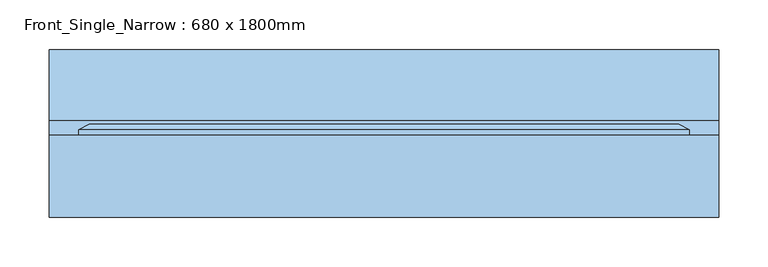
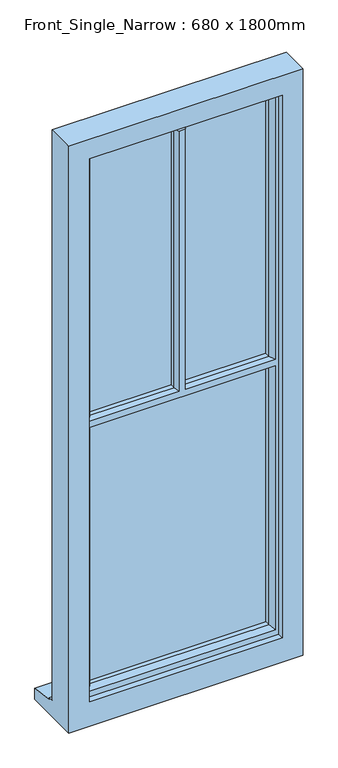
"""IFC4 building model written with IfcOpenShell, lengths in millimetres: window geometry, Front_Single_Narrow : 680 x 1800mm."""

from ifc_helpers import new_model, si_unit, frame, origin, place, context, project, spatial, polyline, outline, extrude, faceted_brep, source, transform, mapped, element, save


def front_single_narrow_680_x_1800mm_dbaf592d(model_context):
    return source(origin(), model_context, "Body", "SolidModel", [
        faceted_brep([(340.0, -24.5434322, 2110.0), (-340.0, -24.5434322, 2110.0), (-340.0, -24.5434322, 310.0), (340.0, -24.5434322, 310.0), (-280.0, -24.5434322, 2050.0), (280.0, -24.5434322, 2050.0), (280.0, -24.5434322, 385.0), (-280.0, -24.5434322, 385.0), (-340.0, 58.4565678, 2110.0), (-340.0, 58.4565678, 361.0), (-340.0, 73.4565678, 359.68767), (-340.0, 73.4565678, 354.7449676), (-340.0, 145.9565678, 343.8088847), (-340.0, 145.9565678, 310.0), (340.0, 58.4565678, 2110.0), (340.0, 58.4565678, 361.0), (-310.0, 58.4565678, 2080.0), (-310.0, 58.4565678, 363.0), (310.0, 58.4565678, 363.0), (310.0, 58.4565678, 2080.0), (-280.0, -6.5434322, 2050.0), (-280.0, -6.5434322, 385.0), (280.0, -6.5434322, 2050.0), (340.0, 145.9565678, 310.0), (340.0, 145.9565678, 343.8088847), (340.0, 73.4565678, 354.7449676), (340.0, 73.4565678, 359.68767), (280.0, -6.5434322, 385.0), (-310.0, 64.2300705, 2080.0), (-310.0, 64.2300705, 363.0), (-260.0, 7.9494677, 2030.0), (-270.1480377, -6.5434322, 2040.1480377), (-270.1480377, -6.5434322, 1231.3519623), (-260.0, 7.9494677, 1236.5), (-270.1480377, -6.5434322, 402.8519623), (-260.0, 7.9494677, 413.0), (-260.0, 7.9494677, 1206.5), (-270.1480377, -6.5434322, 1211.6480377), (-260.0, 22.4565678, 2030.0), (-260.0, 22.4565678, 1236.5), (-260.0, 22.4565678, 413.0), (-260.0, 22.4565678, 1206.5), (-270.0, 46.4565678, 2040.0), (-270.0, 22.4565678, 2040.0), (-270.0, 22.4565678, 1229.5), (-270.0, 46.4565678, 1229.5), (-270.0, 22.4565678, 403.0), (-270.0, 46.4565678, 403.0), (-270.0, 46.4565678, 1213.5), (-270.0, 22.4565678, 1213.5), (-260.0, 64.2300705, 2030.0), (-260.0, 46.4565678, 2030.0), (-260.0, 46.4565678, 1236.5), (-260.0, 58.554277, 1236.5), (-260.0, 64.2300705, 1226.5), (-260.0, 46.4565678, 413.0), (-260.0, 64.2300705, 413.0), (-260.0, 64.2300705, 1216.5), (-260.0, 58.554277, 1206.5), (-260.0, 46.4565678, 1206.5), (-277.4457548, 70.0035732, 2047.4457548), (-277.4457548, 70.0035732, 395.5542452), (-299.2153903, 70.0035732, 2069.2153903), (-299.2153903, 70.0035732, 373.7846097), (310.0, 64.2300705, 363.0), (270.1480377, -6.5434322, 402.8519623), (260.0, 7.9494677, 413.0), (260.0, 22.4565678, 413.0), (270.0, 22.4565678, 403.0), (270.0, 46.4565678, 403.0), (260.0, 46.4565678, 413.0), (260.0, 64.2300705, 413.0), (277.4457548, 70.0035732, 395.5542452), (299.2153903, 70.0035732, 373.7846097), (310.0, 64.2300705, 2080.0), (270.1480377, -6.5434322, 1211.6480377), (260.0, 7.9494677, 1206.5), (270.1480377, -6.5434322, 2040.1480377), (260.0, 7.9494677, 2030.0), (260.0, 7.9494677, 1236.5), (270.1480377, -6.5434322, 1231.3519623), (260.0, 22.4565678, 1206.5), (260.0, 22.4565678, 2030.0), (260.0, 22.4565678, 1236.5), (270.0, 22.4565678, 1213.5), (270.0, 46.4565678, 1213.5), (270.0, 22.4565678, 2040.0), (270.0, 46.4565678, 2040.0), (270.0, 46.4565678, 1229.5), (270.0, 22.4565678, 1229.5), (260.0, 46.4565678, 1206.5), (260.0, 58.554277, 1206.5), (260.0, 64.2300705, 1216.5), (260.0, 46.4565678, 2030.0), (260.0, 64.2300705, 2030.0), (260.0, 64.2300705, 1226.5), (260.0, 58.554277, 1236.5), (260.0, 46.4565678, 1236.5), (277.4457548, 70.0035732, 2047.4457548), (299.2153903, 70.0035732, 2069.2153903), (9.8519623, -6.5434322, 1231.3519623), (9.8519623, -6.5434322, 2030.0), (-9.8519623, -6.5434322, 2030.0), (-9.8519623, -6.5434322, 1231.3519623), (-15.0, 7.9494677, 2030.0), (15.0, 7.9494677, 2030.0), (-15.0, 22.4565678, 2030.0), (15.0, 22.4565678, 2030.0), (8.0, 22.4565678, 1229.5), (8.0, 22.4565678, 2030.0), (-8.0, 22.4565678, 2030.0), (-8.0, 22.4565678, 1229.5), (15.0, 22.4565678, 1236.5), (-15.0, 22.4565678, 1236.5), (-8.0, 46.4565678, 1229.5), (-8.0, 46.4565678, 2030.0), (8.0, 46.4565678, 2030.0), (8.0, 46.4565678, 1229.5), (-15.0, 46.4565678, 2030.0), (-15.0, 46.4565678, 1236.5), (15.0, 46.4565678, 1236.5), (15.0, 46.4565678, 2030.0), (-5.0, 64.2300705, 2030.0), (-15.0, 58.554277, 2030.0), (15.0, 58.554277, 2030.0), (5.0, 64.2300705, 2030.0), (-15.0, 58.554277, 1236.5), (-5.0, 64.2300705, 1226.5), (5.0, 64.2300705, 1226.5), (15.0, 58.554277, 1236.5), (-15.0, 7.9494677, 1236.5), (15.0, 7.9494677, 1236.5)], [[[0, 1, 2, 3], [4, 5, 6, 7]], [[1, 8, 9, 10, 11, 12, 13, 2]], [[8, 14, 15, 9], [16, 17, 18, 19]], [[20, 4, 7, 21]], [[1, 0, 14, 8]], [[5, 4, 20, 22]], [[14, 0, 3, 23, 24, 25, 26, 15]], [[5, 22, 27, 6]], [[23, 3, 2, 13]], [[24, 23, 13, 12]], [[25, 24, 12, 11]], [[26, 25, 11, 10]], [[15, 26, 10, 9]], [[7, 6, 27, 21]], [[16, 28, 29, 17]], [[30, 31, 32, 33]], [[34, 35, 36, 37]], [[38, 30, 33, 39]], [[35, 40, 41, 36]], [[42, 43, 44, 45]], [[46, 47, 48, 49]], [[50, 51, 52, 53, 54]], [[55, 56, 57, 58, 59]], [[60, 50, 54, 57, 56, 61]], [[29, 28, 62, 63]], [[17, 29, 64, 18]], [[35, 34, 65, 66]], [[40, 35, 66, 67]], [[47, 46, 68, 69]], [[56, 55, 70, 71]], [[61, 56, 71, 72]], [[29, 63, 73, 64]], [[18, 64, 74, 19]], [[66, 65, 75, 76]], [[77, 78, 79, 80]], [[67, 66, 76, 81]], [[78, 82, 83, 79]], [[69, 68, 84, 85]], [[86, 87, 88, 89]], [[71, 70, 90, 91, 92]], [[93, 94, 95, 96, 97]], [[72, 71, 92, 95, 94, 98]], [[64, 73, 99, 74]], [[28, 16, 19, 74]], [[20, 21, 27, 22], [65, 34, 37, 75], [31, 77, 80, 100, 101, 102, 103, 32]], [[31, 30, 104, 105, 78, 77]], [[30, 38, 106, 104]], [[82, 78, 105, 107]], [[68, 46, 49, 84], [40, 67, 81, 41]], [[43, 86, 89, 108, 109, 110, 111, 44], [82, 107, 112, 83], [39, 113, 106, 38]], [[43, 42, 87, 86]], [[47, 69, 85, 48], [70, 55, 59, 90]], [[87, 42, 45, 114, 115, 116, 117, 88], [51, 118, 119, 52], [97, 120, 121, 93]], [[51, 50, 122, 123, 118]], [[94, 93, 121, 124, 125]], [[50, 60, 98, 94, 125, 122]], [[63, 62, 99, 73], [60, 61, 72, 98]], [[62, 28, 74, 99]], [[54, 53, 126, 127]], [[96, 95, 128, 129]], [[53, 52, 119, 126]], [[97, 96, 129, 120]], [[108, 89, 88, 117]], [[114, 45, 44, 111]], [[39, 33, 130, 113]], [[79, 83, 112, 131]], [[33, 32, 103, 130]], [[80, 79, 131, 100]], [[75, 37, 36, 76]], [[76, 36, 41, 81]], [[49, 48, 85, 84]], [[90, 59, 58, 91]], [[57, 92, 91, 58]], [[92, 57, 54, 127, 122, 125, 128, 95]], [[115, 110, 109, 116]], [[104, 102, 101, 105]], [[128, 125, 124, 129]], [[121, 120, 129, 124]], [[117, 116, 109, 108]], [[112, 107, 105, 131]], [[105, 101, 100, 131]], [[102, 104, 130, 103]], [[106, 113, 130, 104]], [[111, 110, 115, 114]], [[119, 118, 123, 126]], [[122, 127, 126, 123]]]),
        extrude(outline(polyline([(270.1480377, 22.4565678), (-270.0, 22.4565678), (-270.0, 46.4565678), (270.1480377, 46.4565678), (270.1480377, 22.4565678)])), frame((0.0, 0.0, 403.0), z_axis=(0.0, 0.0, 1.0), x_axis=(1.0, 0.0, 0.0)), (0.0, 0.0, 1.0), 808.6480377),
        extrude(outline(polyline([(270.1480377, 22.4565678), (-270.0, 22.4565678), (-270.0, 46.4565678), (270.1480377, 46.4565678), (270.1480377, 22.4565678)])), frame((0.0, 0.0, 1231.3519623), z_axis=(0.0, 0.0, 1.0), x_axis=(1.0, 0.0, 0.0)), (0.0, 0.0, 1.0), 808.6480377),
    ])


if __name__ == "__main__":
    model = new_model("IFC4")
    model_context = context("Model", 3, world=origin())
    ifc_project = project(units=[si_unit("LENGTHUNIT", "METRE", prefix="MILLI")], contexts=[model_context])
    site = spatial("IfcSite", under=ifc_project)
    building = spatial("IfcBuilding", under=site)
    placement = place(None, origin())
    front_single_narrow_680_x_1800mm_shape = front_single_narrow_680_x_1800mm_dbaf592d(model_context)
    element("IfcWindow", 1, ObjectType="Front_Single_Narrow : 680 x 1800mm", at=placement, inside=building, context=model_context, shape_type="MappedRepresentation", body=[
        mapped(front_single_narrow_680_x_1800mm_shape, transform((0.0, 0.0, 0.0), x_axis=(1.0, 0.0, 0.0), y_axis=(0.0, 1.0, 0.0), z_axis=(0.0, 0.0, 1.0))),
    ])
    save(model, "model.ifc")
